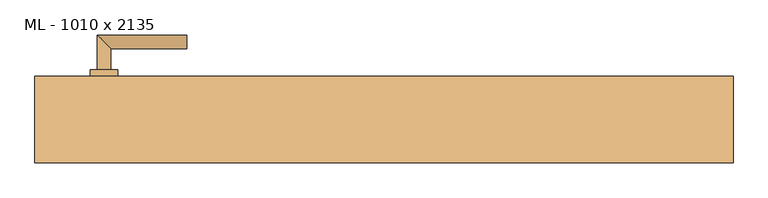
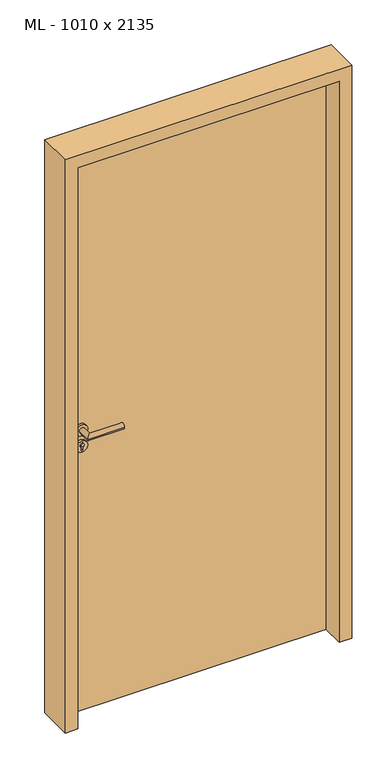
"""IFC4 building model written with IfcOpenShell, lengths in millimetres: door geometry, ML - 1010 x 2135."""

from ifc_helpers import new_model, si_unit, point, frame, frame_2d, origin, origin_with_axes, place, context, project, spatial, polyline, circle_curve, ellipse_curve, trimmed, segment, composite_curve, outline, extrude, faceted_brep, source, transform, mapped, element, save
from ifc_brep_helpers import plane_surface, cylinder_surface, advanced_brep


def ml_1010_x_2135_ecd78d26(model_context):
    return source(origin(), model_context, "Body", "SolidModel", [
        extrude(outline(polyline([(471.0, 62.5), (471.0, 17.5), (-471.0, 17.5), (-471.0, 62.5), (471.0, 62.5)])), origin_with_axes(), (0.0, 0.0, 1.0), 2101.0),
        advanced_brep(
        [(-395.0, 72.5, 1050.0), (-415.0, 72.5, 1050.0), (-395.0, 102.5, 1050.0), (-415.0, 122.5, 1050.0), (-285.0, 102.5, 1050.0), (-285.0, 122.5, 1050.0)],
        [
            (0, 1, circle_curve(frame((-405.0, 72.5, 1050.0), z_axis=(0.0, -1.0, 0.0), x_axis=(-1.0, 0.0, 0.0)), 10.0)),
            (1, 0, circle_curve(frame((-405.0, 72.5, 1050.0), z_axis=(0.0, -1.0, 0.0), x_axis=(-1.0, 0.0, 0.0)), 10.0)),
            (0, 2),
            (2, 3, ellipse_curve(frame((-405.0, 112.5, 1050.0), z_axis=(-0.7071067811865531, -0.7071067811865419, 0.0), x_axis=(0.707106781186542, -0.707106781186553, 0.0)), 14.1421356, 10.0)),
            (3, 1),
            (3, 2, ellipse_curve(frame((-405.0, 112.5, 1050.0), z_axis=(-0.7071067811865531, -0.7071067811865419, 0.0), x_axis=(0.707106781186542, -0.707106781186553, 0.0)), 14.1421356, 10.0)),
            (4, 5, circle_curve(frame((-285.0, 112.5, 1050.0), z_axis=(1.0, 0.0, 0.0), x_axis=(0.0, 1.0, 0.0)), 10.0)),
            (5, 4, circle_curve(frame((-285.0, 112.5, 1050.0), z_axis=(1.0, 0.0, 0.0), x_axis=(0.0, 1.0, 0.0)), 10.0)),
            (2, 4),
            (5, 3),
        ],
        [
            plane_surface(frame((-405.0, 72.5, 1050.0), z_axis=(0.0, -1.0, 0.0), x_axis=(0.0, 0.0, 1.0))),
            cylinder_surface(frame((-405.0, 72.5, 1050.0), z_axis=(0.0, -1.0, 0.0), x_axis=(-1.0, 0.0, 0.0)), 10.0),
            plane_surface(frame((-285.0, 112.5, 1050.0), z_axis=(1.0, 0.0, 0.0), x_axis=(0.0, 0.0, 1.0))),
            cylinder_surface(frame((-405.0, 112.5, 1050.0), z_axis=(-1.0, 0.0, 0.0), x_axis=(0.0, 1.0, 0.0)), 10.0),
        ],
        [
            (0, [[1, 2]]),
            (1, [[-1, 3, 4, 5]]),
            (1, [[-2, -5, 6, -3]]),
            (2, [[7, 8]]),
            (3, [[-4, 9, -8, 10]]),
            (3, [[-6, -10, -7, -9]]),
        ],
    ),
        extrude(outline(composite_curve([segment(trimmed(circle_curve(frame_2d((990.0, -405.0)), 20.0), [point((990.0, -425.0))], [point((990.0, -385.0))], False, "CARTESIAN"), True, "CONTINUOUS"), segment(trimmed(circle_curve(frame_2d((990.0, -405.0)), 20.0), [point((990.0, -385.0))], [point((990.0, -425.0))], False, "CARTESIAN"), True, "CONTINUOUS")], self_intersect=False), holes=[composite_curve([segment(polyline([(976.4601385, -407.397268), (988.4749012, -407.397268)]), True, "CONTINUOUS"), segment(trimmed(circle_curve(frame_2d((995.0361633, -405.0)), 6.9854888), [point((988.4749012, -407.397268))], [point((988.4749012, -402.602732))], True, "CARTESIAN"), True, "CONTINUOUS"), segment(polyline([(988.4749012, -402.602732), (976.4601385, -402.602732)]), True, "CONTINUOUS"), segment(trimmed(circle_curve(frame_2d((976.4601385, -405.0)), 2.397268), [point((976.4601385, -402.602732))], [point((976.4601385, -407.397268))], True, "CARTESIAN"), True, "CONTINUOUS")], self_intersect=False)]), frame((0.0, 62.5, 0.0), z_axis=(0.0, 1.0, 0.0), x_axis=(0.0, 0.0, 1.0)), (0.0, 0.0, 1.0), 10.0),
        advanced_brep(
        [(-395.0, 72.5, 1050.0), (-415.0, 72.5, 1050.0), (-395.0, 102.5, 1050.0), (-415.0, 122.5, 1050.0), (-285.0, 102.5, 1050.0), (-285.0, 122.5, 1050.0)],
        [
            (0, 1, circle_curve(frame((-405.0, 72.5, 1050.0), z_axis=(0.0, -1.0, 0.0), x_axis=(-1.0, 0.0, 0.0)), 10.0)),
            (1, 0, circle_curve(frame((-405.0, 72.5, 1050.0), z_axis=(0.0, -1.0, 0.0), x_axis=(-1.0, 0.0, 0.0)), 10.0)),
            (0, 2),
            (2, 3, ellipse_curve(frame((-405.0, 112.5, 1050.0), z_axis=(-0.7071067811865537, -0.7071067811865414, 0.0), x_axis=(0.7071067811865414, -0.7071067811865536, 0.0)), 14.1421356, 10.0)),
            (3, 1),
            (3, 2, ellipse_curve(frame((-405.0, 112.5, 1050.0), z_axis=(-0.7071067811865537, -0.7071067811865414, 0.0), x_axis=(0.7071067811865414, -0.7071067811865536, 0.0)), 14.1421356, 10.0)),
            (4, 5, circle_curve(frame((-285.0, 112.5, 1050.0), z_axis=(1.0, 0.0, 0.0), x_axis=(0.0, 1.0, 0.0)), 10.0)),
            (5, 4, circle_curve(frame((-285.0, 112.5, 1050.0), z_axis=(1.0, 0.0, 0.0), x_axis=(0.0, 1.0, 0.0)), 10.0)),
            (2, 4),
            (5, 3),
        ],
        [
            plane_surface(frame((-405.0, 72.5, 1050.0), z_axis=(0.0, -1.0, 0.0), x_axis=(0.0, 0.0, 1.0))),
            cylinder_surface(frame((-405.0, 72.5, 1050.0), z_axis=(0.0, -1.0, 0.0), x_axis=(-1.0, 0.0, 0.0)), 10.0),
            plane_surface(frame((-285.0, 112.5, 1050.0), z_axis=(1.0, 0.0, 0.0), x_axis=(0.0, 0.0, 1.0))),
            cylinder_surface(frame((-405.0, 112.5, 1050.0), z_axis=(-1.0, 0.0, 0.0), x_axis=(0.0, 1.0, 0.0)), 10.0),
        ],
        [
            (0, [[1, 2]]),
            (1, [[-1, 3, 4, 5]]),
            (1, [[-2, -5, 6, -3]]),
            (2, [[7, 8]]),
            (3, [[-4, 9, -8, 10]]),
            (3, [[-6, -10, -7, -9]]),
        ],
    ),
        extrude(outline(composite_curve([segment(trimmed(circle_curve(frame_2d((1050.0, -405.0)), 20.0), [point((1050.0, -425.0))], [point((1050.0, -385.0))], False, "CARTESIAN"), True, "CONTINUOUS"), segment(trimmed(circle_curve(frame_2d((1050.0, -405.0)), 20.0), [point((1050.0, -385.0))], [point((1050.0, -425.0))], False, "CARTESIAN"), True, "CONTINUOUS")], self_intersect=False)), frame((0.0, 62.5, 0.0), z_axis=(0.0, 1.0, 0.0), x_axis=(0.0, 0.0, 1.0)), (0.0, 0.0, 1.0), 10.0),
        advanced_brep(
        [(-395.0, 7.5, 1050.0), (-415.0, 7.5, 1050.0), (-415.0, -42.5, 1050.0), (-395.0, -22.5, 1050.0), (-285.0, -22.5, 1050.0), (-285.0, -42.5, 1050.0)],
        [
            (0, 1, circle_curve(frame((-405.0, 7.5, 1050.0), z_axis=(0.0, 1.0, 0.0), x_axis=(-1.0, 0.0, 0.0)), 10.0)),
            (1, 0, circle_curve(frame((-405.0, 7.5, 1050.0), z_axis=(0.0, 1.0, 0.0), x_axis=(-1.0, 0.0, 0.0)), 10.0)),
            (1, 2),
            (2, 3, ellipse_curve(frame((-405.0, -32.5, 1050.0), z_axis=(-0.7071067811865486, 0.7071067811865464, 0.0), x_axis=(0.7071067811865464, 0.7071067811865488, 0.0)), 14.1421356, 10.0)),
            (3, 0),
            (3, 2, ellipse_curve(frame((-405.0, -32.5, 1050.0), z_axis=(-0.7071067811865486, 0.7071067811865464, 0.0), x_axis=(0.7071067811865464, 0.7071067811865488, 0.0)), 14.1421356, 10.0)),
            (4, 5, circle_curve(frame((-285.0, -32.5, 1050.0), z_axis=(1.0, 0.0, 0.0), x_axis=(0.0, -1.0, 0.0)), 10.0)),
            (5, 4, circle_curve(frame((-285.0, -32.5, 1050.0), z_axis=(1.0, 0.0, 0.0), x_axis=(0.0, -1.0, 0.0)), 10.0)),
            (2, 5),
            (4, 3),
        ],
        [
            plane_surface(frame((-405.0, 7.5, 1050.0), z_axis=(0.0, 1.0, 0.0), x_axis=(0.0, 0.0, 1.0))),
            cylinder_surface(frame((-405.0, 7.5, 1050.0), z_axis=(0.0, 1.0, 0.0), x_axis=(-1.0, 0.0, 0.0)), 10.0),
            plane_surface(frame((-285.0, -32.5, 1050.0), z_axis=(1.0, 0.0, 0.0), x_axis=(0.0, 0.0, 1.0))),
            cylinder_surface(frame((-405.0, -32.5, 1050.0), z_axis=(-1.0, 0.0, 0.0), x_axis=(0.0, -1.0, 0.0)), 10.0),
        ],
        [
            (0, [[1, 2]]),
            (1, [[3, 4, 5, -2]]),
            (1, [[-5, 6, -3, -1]]),
            (2, [[7, 8]]),
            (3, [[9, -7, 10, -4]]),
            (3, [[-10, -8, -9, -6]]),
        ],
    ),
        extrude(outline(composite_curve([segment(trimmed(circle_curve(frame_2d((990.0, -405.0)), 20.0), [point((990.0, -425.0))], [point((990.0, -385.0))], False, "CARTESIAN"), True, "CONTINUOUS"), segment(trimmed(circle_curve(frame_2d((990.0, -405.0)), 20.0), [point((990.0, -385.0))], [point((990.0, -425.0))], False, "CARTESIAN"), True, "CONTINUOUS")], self_intersect=False), holes=[composite_curve([segment(polyline([(976.4601385, -407.397268), (988.4749012, -407.397268)]), True, "CONTINUOUS"), segment(trimmed(circle_curve(frame_2d((995.0361633, -405.0)), 6.9854888), [point((988.4749012, -407.397268))], [point((988.4749012, -402.602732))], True, "CARTESIAN"), True, "CONTINUOUS"), segment(polyline([(988.4749012, -402.602732), (976.4601385, -402.602732)]), True, "CONTINUOUS"), segment(trimmed(circle_curve(frame_2d((976.4601385, -405.0)), 2.397268), [point((976.4601385, -402.602732))], [point((976.4601385, -407.397268))], True, "CARTESIAN"), True, "CONTINUOUS")], self_intersect=False)]), frame((0.0, 7.5, 0.0), z_axis=(0.0, 1.0, 0.0), x_axis=(0.0, 0.0, 1.0)), (0.0, 0.0, 1.0), 10.0),
        advanced_brep(
        [(-395.0, 7.5, 1050.0), (-415.0, 7.5, 1050.0), (-415.0, -42.5, 1050.0), (-395.0, -22.5, 1050.0), (-285.0, -22.5, 1050.0), (-285.0, -42.5, 1050.0)],
        [
            (0, 1, circle_curve(frame((-405.0, 7.5, 1050.0), z_axis=(0.0, 1.0, 0.0), x_axis=(-1.0, 0.0, 0.0)), 10.0)),
            (1, 0, circle_curve(frame((-405.0, 7.5, 1050.0), z_axis=(0.0, 1.0, 0.0), x_axis=(-1.0, 0.0, 0.0)), 10.0)),
            (1, 2),
            (2, 3, ellipse_curve(frame((-405.0, -32.5, 1050.0), z_axis=(-0.7071067811865491, 0.7071067811865459, 0.0), x_axis=(0.7071067811865458, 0.7071067811865492, 0.0)), 14.1421356, 10.0)),
            (3, 0),
            (3, 2, ellipse_curve(frame((-405.0, -32.5, 1050.0), z_axis=(-0.7071067811865491, 0.7071067811865459, 0.0), x_axis=(0.7071067811865458, 0.7071067811865492, 0.0)), 14.1421356, 10.0)),
            (4, 5, circle_curve(frame((-285.0, -32.5, 1050.0), z_axis=(1.0, 0.0, 0.0), x_axis=(0.0, -1.0, 0.0)), 10.0)),
            (5, 4, circle_curve(frame((-285.0, -32.5, 1050.0), z_axis=(1.0, 0.0, 0.0), x_axis=(0.0, -1.0, 0.0)), 10.0)),
            (2, 5),
            (4, 3),
        ],
        [
            plane_surface(frame((-405.0, 7.5, 1050.0), z_axis=(0.0, 1.0, 0.0), x_axis=(0.0, 0.0, 1.0))),
            cylinder_surface(frame((-405.0, 7.5, 1050.0), z_axis=(0.0, 1.0, 0.0), x_axis=(-1.0, 0.0, 0.0)), 10.0),
            plane_surface(frame((-285.0, -32.5, 1050.0), z_axis=(1.0, 0.0, 0.0), x_axis=(0.0, 0.0, 1.0))),
            cylinder_surface(frame((-405.0, -32.5, 1050.0), z_axis=(-1.0, 0.0, 0.0), x_axis=(0.0, -1.0, 0.0)), 10.0),
        ],
        [
            (0, [[1, 2]]),
            (1, [[3, 4, 5, -2]]),
            (1, [[-5, 6, -3, -1]]),
            (2, [[7, 8]]),
            (3, [[9, -7, 10, -4]]),
            (3, [[-10, -8, -9, -6]]),
        ],
    ),
        extrude(outline(composite_curve([segment(trimmed(circle_curve(frame_2d((1050.0, -405.0)), 20.0), [point((1050.0, -425.0))], [point((1050.0, -385.0))], False, "CARTESIAN"), True, "CONTINUOUS"), segment(trimmed(circle_curve(frame_2d((1050.0, -405.0)), 20.0), [point((1050.0, -385.0))], [point((1050.0, -425.0))], False, "CARTESIAN"), True, "CONTINUOUS")], self_intersect=False)), frame((0.0, 7.5, 0.0), z_axis=(0.0, 1.0, 0.0), x_axis=(0.0, 0.0, 1.0)), (0.0, 0.0, 1.0), 10.0),
        faceted_brep([(-475.0, 62.5, 0.0), (-475.0, 17.5, 0.0), (-460.0, 17.5, 0.0), (-460.0, -62.5, 0.0), (-505.0, -62.5, 0.0), (-505.0, 62.5, 0.0), (-475.0, 62.5, 2105.0), (-475.0, 17.5, 2105.0), (475.0, 17.5, 2105.0), (475.0, 17.5, 0.0), (460.0, 17.5, 0.0), (460.0, 17.5, 2090.0), (-460.0, 17.5, 2090.0), (-460.0, -62.5, 2090.0), (460.0, -62.5, 2090.0), (460.0, -62.5, 0.0), (505.0, -62.5, 0.0), (505.0, -62.5, 2135.0), (-505.0, -62.5, 2135.0), (-505.0, 62.5, 2135.0), (505.0, 62.5, 2135.0), (505.0, 62.5, 0.0), (475.0, 62.5, 0.0), (475.0, 62.5, 2105.0)], [[[0, 1, 2, 3, 4, 5]], [[1, 0, 6, 7]], [[2, 1, 7, 8, 9, 10, 11, 12]], [[3, 2, 12, 13]], [[4, 3, 13, 14, 15, 16, 17, 18]], [[5, 4, 18, 19]], [[0, 5, 19, 20, 21, 22, 23, 6]], [[20, 17, 16, 21]], [[22, 21, 16, 15, 10, 9]], [[8, 23, 22, 9]], [[14, 11, 10, 15]], [[19, 18, 17, 20]], [[13, 12, 11, 14]], [[7, 6, 23, 8]]]),
    ])


if __name__ == "__main__":
    model = new_model("IFC4")
    model_context = context("Model", 3, world=origin())
    ifc_project = project(units=[si_unit("LENGTHUNIT", "METRE", prefix="MILLI")], contexts=[model_context])
    site = spatial("IfcSite", under=ifc_project)
    building = spatial("IfcBuilding", under=site)
    placement = place(None, origin())
    ml_1010_x_2135_shape = ml_1010_x_2135_ecd78d26(model_context)
    element("IfcDoor", 1, ObjectType="ML - 1010 x 2135", at=placement, inside=building, context=model_context, shape_type="MappedRepresentation", body=[
        mapped(ml_1010_x_2135_shape, transform((0.0, 0.0, 0.0), x_axis=(1.0, 0.0, 0.0), y_axis=(0.0, 1.0, 0.0), z_axis=(0.0, 0.0, 1.0))),
    ])
    save(model, "model.ifc")
